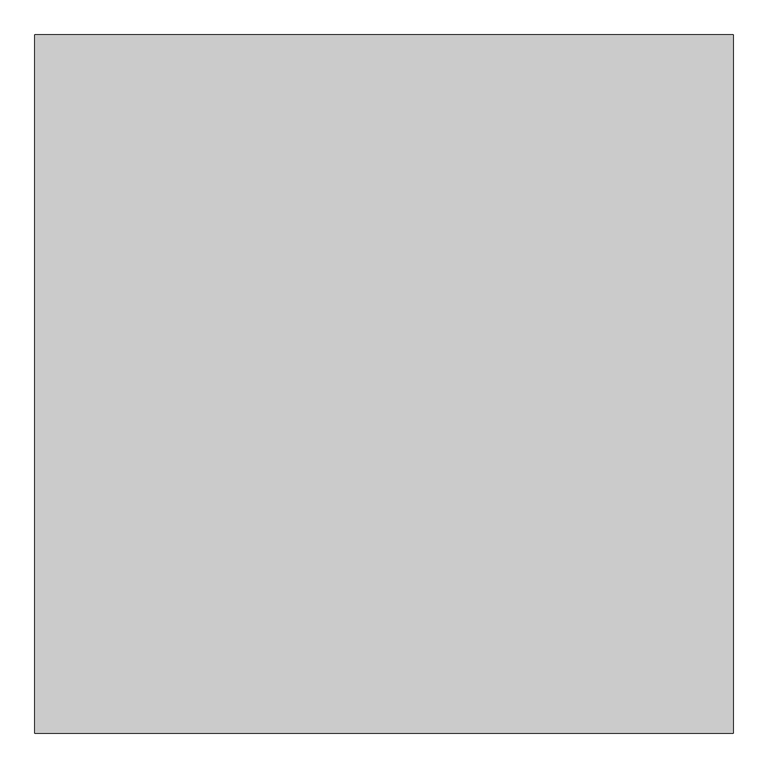
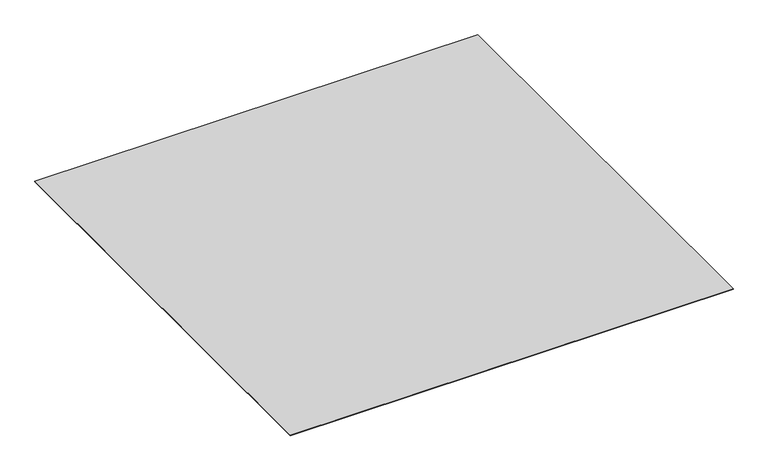
"""IFC4 building model written with IfcOpenShell, lengths in millimetres: proxy geometry."""

from ifc_helpers import new_model, si_unit, origin, origin_with_axes, place, context, project, spatial, polyline, outline, extrude, source, transform, mapped, element, save


def generic_models_68c666a6(model_context):
    return source(origin(), model_context, "Body", "SweptSolid", [
        extrude(outline(polyline([(16444.603672, -17878.0478908), (16444.603672, -18878.0478908), (15444.603672, -18878.0478908), (15444.603672, -17878.0478908), (16444.603672, -17878.0478908)])), origin_with_axes(), (0.0, 0.0, 1.0), 1.0),
    ])


if __name__ == "__main__":
    model = new_model("IFC4")
    model_context = context("Model", 3, world=origin())
    ifc_project = project(units=[si_unit("LENGTHUNIT", "METRE", prefix="MILLI")], contexts=[model_context])
    site = spatial("IfcSite", under=ifc_project)
    building = spatial("IfcBuilding", under=site)
    placement = place(None, origin())
    generic_models_shape = generic_models_68c666a6(model_context)
    element("IfcBuildingElementProxy", 1, Name="Generic Models", at=placement, inside=building, context=model_context, shape_type="MappedRepresentation", body=[
        mapped(generic_models_shape, transform((0.0, 0.0, 0.0), x_axis=(1.0, 0.0, 0.0), y_axis=(0.0, 1.0, 0.0), z_axis=(0.0, 0.0, 1.0))),
    ])
    save(model, "model.ifc")
